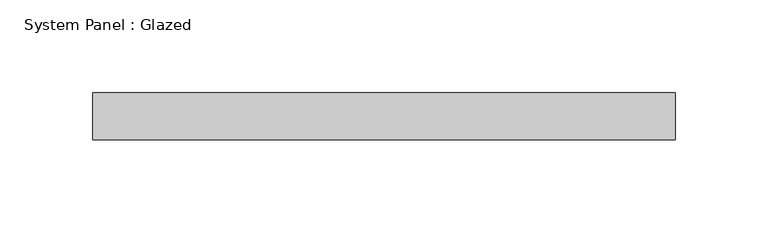
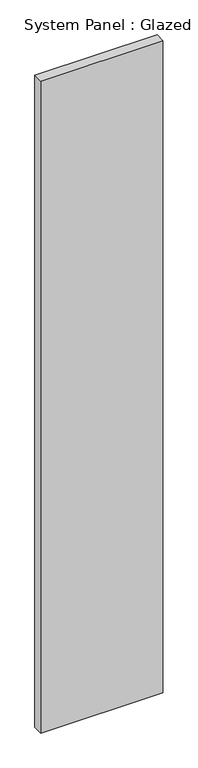
"""IFC4 building model written with IfcOpenShell, lengths in millimetres: plate geometry, System Panel : Glazed."""

from ifc_helpers import new_model, si_unit, origin, origin_with_axes, place, context, project, spatial, polyline, outline, extrude, source, transform, mapped, element, save


def system_panel_glazed_02f8b8ff(model_context):
    return source(origin(), model_context, "Body", "SweptSolid", [
        extrude(outline(polyline([(157.375, 19.05), (-157.375, 19.05), (-157.375, 44.45), (157.375, 44.45), (157.375, 19.05)])), origin_with_axes(), (0.0, 0.0, 1.0), 1773.3),
    ])


if __name__ == "__main__":
    model = new_model("IFC4")
    model_context = context("Model", 3, world=origin())
    ifc_project = project(units=[si_unit("LENGTHUNIT", "METRE", prefix="MILLI")], contexts=[model_context])
    site = spatial("IfcSite", under=ifc_project)
    building = spatial("IfcBuilding", under=site)
    placement = place(None, origin())
    system_panel_glazed_shape = system_panel_glazed_02f8b8ff(model_context)
    element("IfcPlate", 1, ObjectType="System Panel : Glazed", at=placement, inside=building, context=model_context, shape_type="MappedRepresentation", body=[
        mapped(system_panel_glazed_shape, transform((0.0, 0.0, 0.0), x_axis=(1.0, 0.0, 0.0), y_axis=(0.0, 1.0, 0.0), z_axis=(0.0, 0.0, 1.0))),
    ])
    save(model, "model.ifc")
